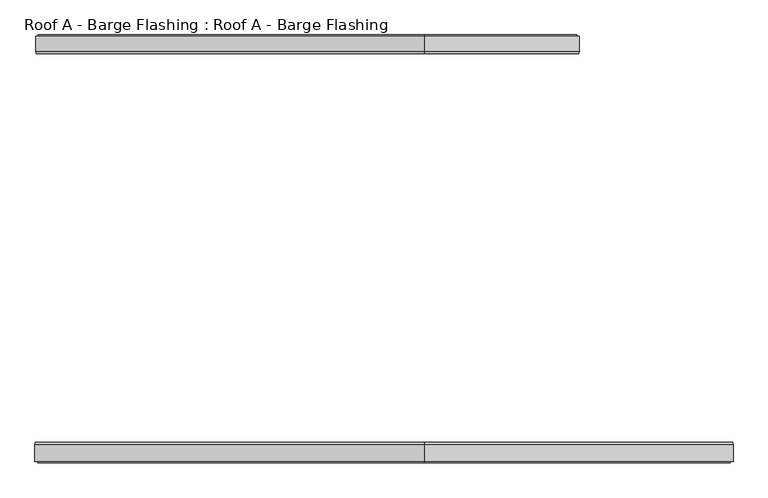
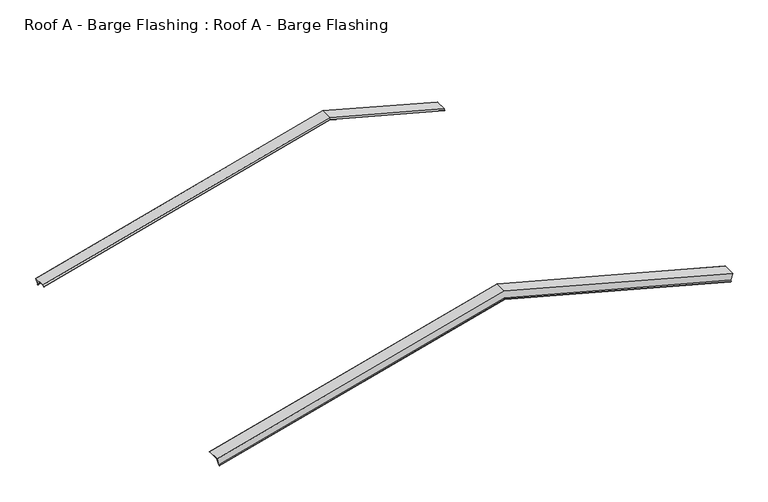
"""IFC4 building model written with IfcOpenShell, lengths in millimetres: proxy geometry, Roof A - Barge Flashing : Roof A - Barge Flashing."""

from ifc_helpers import new_model, si_unit, origin, place, context, project, spatial, faceted_brep, source, transform, mapped, element, save


def roof_a_barge_flashing_roof_a_barge_flashing_7f199411(model_context):
    return source(origin(), model_context, "Body", "Brep", [
        faceted_brep([(5490.8450047, 5089.9120222, 5751.4040697), (5490.8450047, 5292.8954809, 5751.4040697), (5460.2618558, 5292.8954809, 5637.2662041), (5456.7088081, 5306.623403, 5624.0060497), (5454.1466302, 5296.7239081, 5614.4438718), (5453.9636175, 5297.4310148, 5613.7608591), (5456.7088081, 5308.0376166, 5624.0060497), (5460.3690621, 5293.8954809, 5637.6663037), (5491.1038237, 5293.8954809, 5752.3699956), (5491.1038237, 5089.4978087, 5752.3699956), (5485.100403, 5066.3023722, 5729.9649244), (5484.9173903, 5067.0094789, 5729.2819117), (3500.0, 5067.0094789, 6261.1389235), (3500.0, 5089.9120222, 6284.849381), (3500.0, 5066.3023722, 6261.8709743), (3500.0, 5089.4978087, 6285.8846572), (3500.0, 5293.8954809, 6285.8846572), (3500.0, 5293.8954809, 6162.9456108), (-1449.9094945, 5293.8954809, 4836.6213591), (-1480.6442561, 5293.8954809, 4951.325051), (3500.0, 5308.0376166, 6148.3045946), (3500.0, 5297.4310148, 6137.3238325), (3500.0, 5296.7239081, 6138.0558833), (3500.0, 5306.623403, 6148.3045946), (3500.0, 5292.8954809, 6162.5167853), (3500.0, 5292.8954809, 6284.849381), (-1480.385437, 5292.8954809, 4950.3591251), (-1449.8022881, 5292.8954809, 4836.2212595), (-1480.385437, 5089.9120222, 4950.3591251), (-1474.4578227, 5067.0094789, 4928.2369671), (-1474.6408354, 5066.3023722, 4928.9199798), (-1480.6442561, 5089.4978087, 4951.325051), (-1446.2492404, 5308.0376166, 4822.9611051), (-1443.5040499, 5297.4310148, 4812.7159145), (-1443.6870626, 5296.7239081, 4813.3989272), (-1446.2492404, 5306.623403, 4822.9611051)], [[[0, 1, 2, 3, 4, 5, 6, 7, 8, 9, 10, 11]], [[0, 11, 12, 13]], [[11, 10, 14, 12]], [[10, 9, 15, 14]], [[9, 8, 16, 15]], [[8, 7, 17, 18, 19, 16]], [[7, 6, 20, 17]], [[6, 5, 21, 20]], [[5, 4, 22, 21]], [[4, 3, 23, 22]], [[3, 2, 24, 23]], [[2, 1, 25, 26, 27, 24]], [[1, 0, 13, 25]], [[28, 29, 30, 31, 19, 18, 32, 33, 34, 35, 27, 26]], [[12, 14, 30, 29]], [[15, 16, 19, 31]], [[17, 20, 32, 18]], [[20, 21, 33, 32]], [[21, 22, 34, 33]], [[22, 23, 35, 34]], [[23, 24, 27, 35]], [[25, 13, 28, 26]], [[13, 12, 29, 28]], [[14, 15, 31, 30]]]),
        faceted_brep([(7461.3336903, 54.8456317, 5223.4132177), (7455.4465164, 77.5919249, 5201.4419856), (7455.6295291, 78.2990317, 5202.1249983), (7461.5925093, 55.2598452, 5224.3791436), (7461.5925093, -167.8878271, 5224.3791436), (7430.8577477, -167.8878271, 5109.6754517), (7427.1974937, -182.0299627, 5096.0151976), (7424.4523032, -171.423361, 5085.7700071), (7424.6353159, -170.7162542, 5086.4530198), (7427.1974937, -180.6157491, 5096.0151976), (7430.7505414, -166.8878271, 5109.2753521), (7461.3336903, -166.8878271, 5223.4132177), (3500.0, 54.8456317, 6284.849381), (3500.0, 77.5919249, 6261.3006854), (3500.0, 78.2990317, 6262.0327362), (3500.0, 55.2598452, 6285.8846572), (3500.0, -167.8878271, 6285.8846572), (-1490.3035143, -167.8878271, 4948.7368605), (-1459.5687527, -167.8878271, 4834.0331687), (3500.0, -167.8878271, 6162.9456108), (3500.0, -182.0299627, 6148.3045946), (3500.0, -171.423361, 6137.3238325), (3500.0, -170.7162542, 6138.0558833), (3500.0, -180.6157491, 6148.3045946), (3500.0, -166.8878271, 6162.5167853), (-1459.4615464, -166.8878271, 4833.6330691), (-1490.0446953, -166.8878271, 4947.7709347), (3500.0, -166.8878271, 6284.849381), (-1490.0446953, 54.8456317, 4947.7709347), (-1455.9084987, -180.6157491, 4820.3729146), (-1453.3463209, -170.7162542, 4810.8107368), (-1453.1633082, -171.423361, 4810.1277241), (-1455.9084987, -182.0299627, 4820.3729146), (-1490.3035143, 55.2598452, 4948.7368605), (-1484.3405341, 78.2990317, 4926.4827153), (-1484.1575214, 77.5919249, 4925.7997026)], [[[0, 1, 2, 3, 4, 5, 6, 7, 8, 9, 10, 11]], [[1, 0, 12, 13]], [[2, 1, 13, 14]], [[3, 2, 14, 15]], [[4, 3, 15, 16]], [[5, 4, 16, 17, 18, 19]], [[6, 5, 19, 20]], [[7, 6, 20, 21]], [[8, 7, 21, 22]], [[9, 8, 22, 23]], [[10, 9, 23, 24]], [[11, 10, 24, 25, 26, 27]], [[0, 11, 27, 12]], [[28, 26, 25, 29, 30, 31, 32, 18, 17, 33, 34, 35]], [[14, 13, 35, 34]], [[16, 15, 33, 17]], [[20, 19, 18, 32]], [[21, 20, 32, 31]], [[22, 21, 31, 30]], [[23, 22, 30, 29]], [[24, 23, 29, 25]], [[12, 27, 26, 28]], [[13, 12, 28, 35]], [[15, 14, 34, 33]]]),
    ])


if __name__ == "__main__":
    model = new_model("IFC4")
    model_context = context("Model", 3, world=origin())
    ifc_project = project(units=[si_unit("LENGTHUNIT", "METRE", prefix="MILLI")], contexts=[model_context])
    site = spatial("IfcSite", under=ifc_project)
    building = spatial("IfcBuilding", under=site)
    placement = place(None, origin())
    roof_a_barge_flashing_roof_a_barge_flashing_shape = roof_a_barge_flashing_roof_a_barge_flashing_7f199411(model_context)
    element("IfcBuildingElementProxy", 1, Name="Roof A - Barge Flashing : Roof A - Barge Flashing", ObjectType="Roof A - Barge Flashing : Roof A - Barge Flashing", at=placement, inside=building, context=model_context, shape_type="MappedRepresentation", body=[
        mapped(roof_a_barge_flashing_roof_a_barge_flashing_shape, transform((0.0, 0.0, 0.0), x_axis=(1.0, 0.0, 0.0), y_axis=(0.0, 1.0, 0.0), z_axis=(0.0, 0.0, 1.0))),
    ])
    save(model, "model.ifc")
